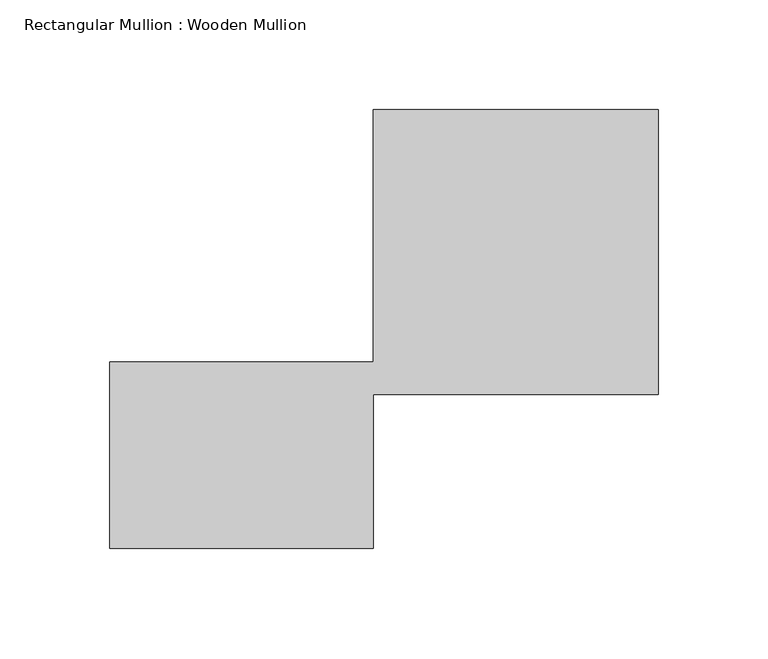
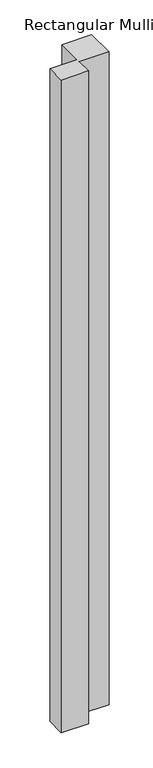
"""IFC4 building model written with IfcOpenShell, lengths in millimetres: member geometry, Rectangular Mullion : Wooden Mullion."""

from ifc_helpers import new_model, si_unit, frame, origin, place, context, project, spatial, polyline, outline, extrude, source, transform, mapped, element, save


def rectangular_mullion_wooden_mullion_b29b838d(model_context):
    return source(origin(), model_context, "Body", "SweptSolid", [
        extrude(outline(polyline([(74.8100006, -26.0137344), (-45.1899994, -26.0137344), (-45.1899994, 58.9862656), (74.8100006, 58.9862656), (74.8100006, 173.9862656), (204.8100006, 173.9862656), (204.8100006, 43.9862656), (74.8100006, 43.9862656), (74.8100006, -26.0137344)])), frame((0.0, 0.0, -3023.9218408), z_axis=(0.0, 0.0, 1.0), x_axis=(1.0, 0.0, 0.0)), (0.0, 0.0, 1.0), 3023.9218408),
    ])


if __name__ == "__main__":
    model = new_model("IFC4")
    model_context = context("Model", 3, world=origin())
    ifc_project = project(units=[si_unit("LENGTHUNIT", "METRE", prefix="MILLI")], contexts=[model_context])
    site = spatial("IfcSite", under=ifc_project)
    building = spatial("IfcBuilding", under=site)
    placement = place(None, origin())
    rectangular_mullion_wooden_mullion_shape = rectangular_mullion_wooden_mullion_b29b838d(model_context)
    element("IfcMember", 1, ObjectType="Rectangular Mullion : Wooden Mullion", at=placement, inside=building, context=model_context, shape_type="MappedRepresentation", body=[
        mapped(rectangular_mullion_wooden_mullion_shape, transform((0.0, 0.0, 0.0), x_axis=(1.0, 0.0, 0.0), y_axis=(0.0, 1.0, 0.0), z_axis=(0.0, 0.0, 1.0))),
    ])
    save(model, "model.ifc")
